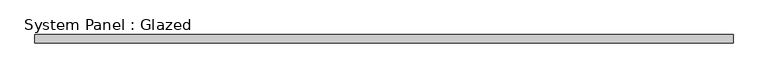
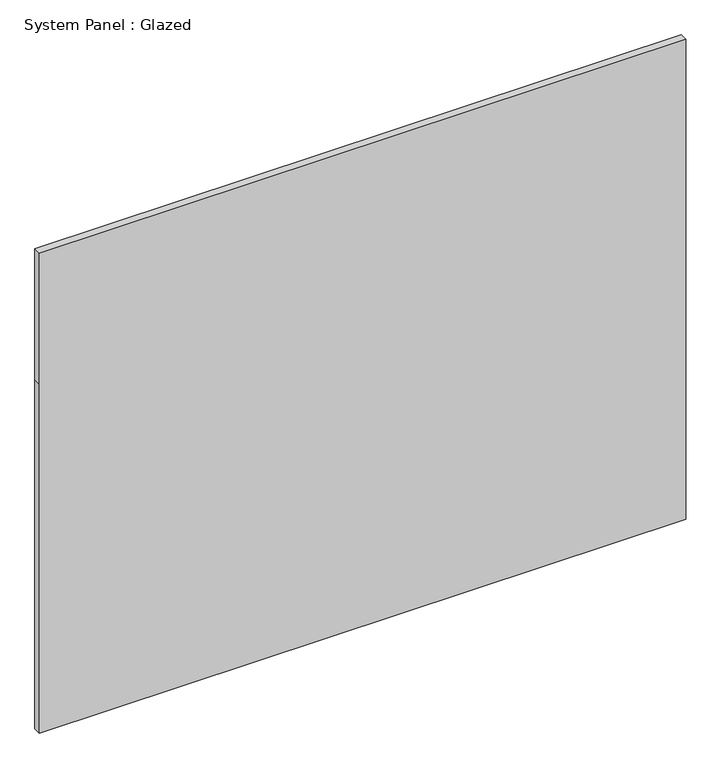
"""IFC4 building model written with IfcOpenShell, lengths in millimetres: plate geometry, System Panel : Glazed."""

from ifc_helpers import new_model, si_unit, frame, origin, place, context, project, spatial, polyline, outline, extrude, source, transform, mapped, element, save


def system_panel_glazed_56873550(model_context):
    return source(origin(), model_context, "Body", "SweptSolid", [
        extrude(outline(polyline([(0.0, -1068.3875), (0.0, 1068.3875), (1219.2, 1068.3875), (1676.4, 1068.3875), (1676.4, -1068.3875), (1219.2, -1068.3875), (0.0, -1068.3875)])), frame((0.0, 19.05, 0.0), z_axis=(0.0, 1.0, 0.0), x_axis=(0.0, 0.0, 1.0)), (0.0, 0.0, 1.0), 25.4),
    ])


if __name__ == "__main__":
    model = new_model("IFC4")
    model_context = context("Model", 3, world=origin())
    ifc_project = project(units=[si_unit("LENGTHUNIT", "METRE", prefix="MILLI")], contexts=[model_context])
    site = spatial("IfcSite", under=ifc_project)
    building = spatial("IfcBuilding", under=site)
    placement = place(None, origin())
    system_panel_glazed_shape = system_panel_glazed_56873550(model_context)
    element("IfcPlate", 1, ObjectType="System Panel : Glazed", at=placement, inside=building, context=model_context, shape_type="MappedRepresentation", body=[
        mapped(system_panel_glazed_shape, transform((0.0, 0.0, 0.0), x_axis=(1.0, 0.0, 0.0), y_axis=(0.0, 1.0, 0.0), z_axis=(0.0, 0.0, 1.0))),
    ])
    save(model, "model.ifc")
